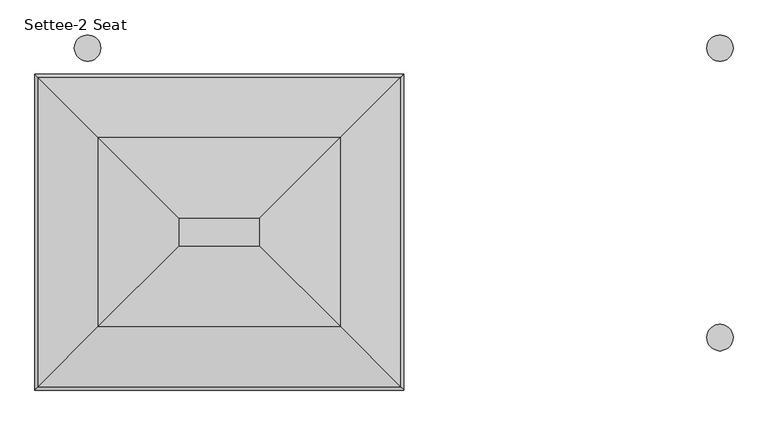
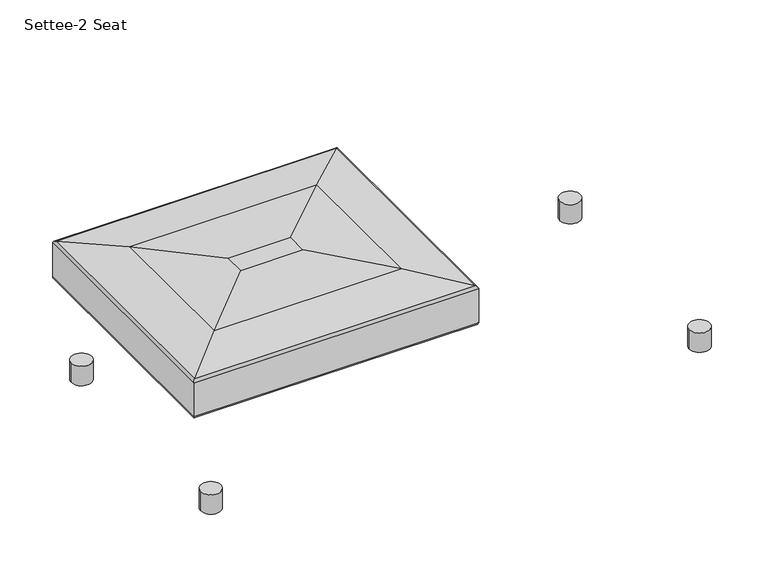
"""IFC4 building model written with IfcOpenShell, lengths in millimetres: furniture geometry, Settee-2 Seat."""

import ifcopenshell
import ifcopenshell.guid

model = None  # the IFC model being written
_history = None  # IfcOwnerHistory: only IFC2X3 demands one
_inside = {}  # id of a spatial element -> (the spatial element, [elements in it])
_under = {}  # id of a project, library or spatial element -> (it, [spatial elements below it])
_declared = {}  # id of a project -> (the project, [libraries it declares])
_typed = {}  # id of a type object -> (the type object, [elements of that type])
_made_of = {}  # id of a material, layer set ... -> (it, [elements and type objects made of it])


def new_model(schema):
    """Start an empty IFC model of exactly this schema.

    Asked for "IFC4X3", IfcOpenShell would pick the latest addendum, in which some entities
    have other attributes; the version numbers below select the first issue.
    IFC2X3 requires an IfcOwnerHistory on every rooted entity: one is made here for all.
    """
    global model, _history
    if schema == "IFC4X3":
        model = ifcopenshell.file(schema_version=(4, 3, 0, 0))
    else:
        model = ifcopenshell.file(schema=schema)
    _inside.clear()
    _under.clear()
    _declared.clear()
    _typed.clear()
    _made_of.clear()
    _history = None
    if model.schema == "IFC2X3":
        org = make("IfcOrganization", Name="unknown")
        user = make(
            "IfcPersonAndOrganization",
            ThePerson=make("IfcPerson", FamilyName="unknown"),
            TheOrganization=org,
        )
        app = make(
            "IfcApplication",
            ApplicationDeveloper=org,
            Version="unknown",
            ApplicationFullName="unknown",
            ApplicationIdentifier="unknown",
        )
        _history = make(
            "IfcOwnerHistory",
            OwningUser=user,
            OwningApplication=app,
            ChangeAction="ADDED",
            CreationDate=0,
        )
    return model


def make(cls, **values):
    """One entity of the class cls with the attributes given. An attribute that is None is left unset."""
    return model.create_entity(
        cls, **{name: value for name, value in values.items() if value is not None}
    )


def rooted(cls, **values):
    """An entity with a GlobalId (a new one), such as an element, a storey or a relation."""
    return make(cls, GlobalId=ifcopenshell.guid.new(), OwnerHistory=_history, **values)


def si_unit(unit_type, name, prefix=None):
    """IfcSIUnit, for example si_unit("LENGTHUNIT", "METRE", prefix="MILLI")."""
    return make("IfcSIUnit", UnitType=unit_type, Prefix=prefix, Name=name)


def assignment(units):
    """IfcUnitAssignment: the units of a project."""
    return None if units is None else make("IfcUnitAssignment", Units=units)


def point(xyz):
    """IfcCartesianPoint."""
    return None if xyz is None else make("IfcCartesianPoint", Coordinates=xyz)


def direction(xyz):
    """IfcDirection."""
    return None if xyz is None else make("IfcDirection", DirectionRatios=xyz)


def frame(location, z_axis=None, x_axis=None):
    """IfcAxis2Placement3D, a coordinate frame: its origin and axes. An axis left out is left unset."""
    return make(
        "IfcAxis2Placement3D",
        Location=point(location),
        Axis=direction(z_axis),
        RefDirection=direction(x_axis),
    )


def origin():
    """The frame at (0, 0, 0) with its axes left unset."""
    return frame((0.0, 0.0, 0.0))


def place(relative_to, where):
    """IfcLocalPlacement: puts the frame where relative to a parent placement (None: the world)."""
    return make(
        "IfcLocalPlacement", PlacementRelTo=relative_to, RelativePlacement=where
    )


def context(
    kind, dimensions, precision=None, world=None, true_north=None, identifier=None
):
    """IfcGeometricRepresentationContext, for example the 3D "Model" context."""
    return make(
        "IfcGeometricRepresentationContext",
        ContextIdentifier=identifier,
        ContextType=kind,
        CoordinateSpaceDimension=dimensions,
        Precision=precision,
        WorldCoordinateSystem=world,
        TrueNorth=true_north,
    )


def project(units=None, contexts=None):
    """IfcProject with its units and contexts."""
    return rooted(
        "IfcProject",
        Name="project",
        RepresentationContexts=contexts,
        UnitsInContext=assignment(units),
    )


def spatial(cls, under=None, at=None, **own):
    """A site, building, storey or space (cls), placed at a placement, below another one or the project."""
    s = rooted(cls, ObjectPlacement=at, **own)
    if under is not None:
        _under.setdefault(under.id(), (under, []))[1].append(s)
    return s


def circle_curve(where, radius):
    """IfcCircle in the frame where."""
    return make("IfcCircle", Position=where, Radius=radius)


def ellipse_curve(where, semi_axis1, semi_axis2):
    """IfcEllipse in the frame where."""
    return make(
        "IfcEllipse", Position=where, SemiAxis1=semi_axis1, SemiAxis2=semi_axis2
    )


def shape(context_of_items, identifier, shape_type, items):
    """IfcShapeRepresentation: the items that make up one representation, for example the "Body"."""
    return make(
        "IfcShapeRepresentation",
        ContextOfItems=context_of_items,
        RepresentationIdentifier=identifier,
        RepresentationType=shape_type,
        Items=items,
    )


def source(mapping_origin, context_of_items, identifier, shape_type, items):
    """IfcRepresentationMap: a shape defined once, which mapped items show again and again."""
    return make(
        "IfcRepresentationMap",
        MappingOrigin=mapping_origin,
        MappedRepresentation=shape(context_of_items, identifier, shape_type, items),
    )


def transform(
    local_origin,
    x_axis=None,
    y_axis=None,
    z_axis=None,
    scale=None,
    scale2=None,
    scale3=None,
    uniform=True,
):
    """IfcCartesianTransformationOperator3D, or its non-uniform kind. x_axis, y_axis, z_axis: its Axis1, 2, 3."""
    if uniform:
        return make(
            "IfcCartesianTransformationOperator3D",
            Axis1=direction(x_axis),
            Axis2=direction(y_axis),
            LocalOrigin=point(local_origin),
            Scale=scale,
            Axis3=direction(z_axis),
        )
    return make(
        "IfcCartesianTransformationOperator3DnonUniform",
        Axis1=direction(x_axis),
        Axis2=direction(y_axis),
        LocalOrigin=point(local_origin),
        Scale=scale,
        Axis3=direction(z_axis),
        Scale2=scale2,
        Scale3=scale3,
    )


def mapped(mapping_source, mapping_target):
    """IfcMappedItem: shows the shape of a source again, moved by a transform."""
    return make(
        "IfcMappedItem", MappingSource=mapping_source, MappingTarget=mapping_target
    )


def made_of(thing, what):
    """Note that an element or type object is made of a material, layer set ...; save() writes the relation."""
    if what is not None:
        _made_of.setdefault(what.id(), (what, []))[1].append(thing)
    return thing


def element(
    cls,
    number,
    at=None,
    inside=None,
    cuts=None,
    type_object=None,
    material=None,
    context=None,
    identifier="Body",
    shape_type=None,
    held_by="IfcProductDefinitionShape",
    body=None,
    shapes=None,
    **own,
):
    """One element of the class cls, such as IfcWall. Its Tag is "e" and its number.

    at: its placement. inside: the storey or other place that contains it. cuts: it is an
    opening in that element (IfcRelVoidsElement). A single representation is given by context,
    identifier, shape_type and body (its items); several are given by shapes. held_by: the class
    of the entity that holds the representations. save() writes the other relations.
    """
    e = rooted(cls, Tag="e%d" % number, ObjectPlacement=at, **own)
    if body is not None:
        shapes = [shape(context, identifier, shape_type, body)]
    if shapes is not None:
        e.Representation = make(held_by, Representations=shapes)
    if inside is not None:
        _inside.setdefault(inside.id(), (inside, []))[1].append(e)
    if cuts is not None:
        rooted(
            "IfcRelVoidsElement", RelatingBuildingElement=cuts, RelatedOpeningElement=e
        )
    if type_object is not None:
        _typed.setdefault(type_object.id(), (type_object, []))[1].append(e)
    return made_of(e, material)


def aggregate(whole, parts):
    """IfcRelAggregates: a whole, such as a stair, and the parts it consists of."""
    return rooted("IfcRelAggregates", RelatingObject=whole, RelatedObjects=parts)


def save(model, path):
    """Write the relations noted so far, then the file.

    IfcRelAggregates (storeys below a building ...), IfcRelContainedInSpatialStructure (elements
    in a storey), IfcRelDefinesByType, IfcRelAssociatesMaterial and IfcRelDeclares: one each for
    every whole, place, type object, material and project.
    """
    for whole, parts in _under.values():
        aggregate(whole, parts)
    for where, things in _inside.values():
        rooted(
            "IfcRelContainedInSpatialStructure",
            RelatedElements=things,
            RelatingStructure=where,
        )
    for kind, things in _typed.values():
        rooted("IfcRelDefinesByType", RelatedObjects=things, RelatingType=kind)
    for what, things in _made_of.values():
        rooted("IfcRelAssociatesMaterial", RelatedObjects=things, RelatingMaterial=what)
    for by, libraries in _declared.values():
        rooted("IfcRelDeclares", RelatingContext=by, RelatedDefinitions=libraries)
    model.write(path)


def plane_surface(at):
    """IfcPlane: the flat surface through the origin of the frame at, square to its z axis."""
    return make("IfcPlane", Position=at)


def cylinder_surface(at, radius):
    """IfcCylindricalSurface: all points at the distance radius from the z axis of the frame at."""
    return make("IfcCylindricalSurface", Position=at, Radius=radius)


def advanced_brep(points, edges, surfaces, faces):
    """IfcAdvancedBrep: a solid bounded by faces that lie on surfaces and meet in shared edges.

    An edge is (start, end): straight between two places in points (the first is 0);
    or (start, end, curve); or (start, end, curve, False) where it runs against its curve.
    A face is (place in surfaces, loops), or (place, loops, False) where it looks against
    its surface's normal. A loop lists edges by number (the first is 1), with a minus sign
    where the edge is run from its end to its start. The first loop is the outer one.
    """
    corners = [point(p) for p in points]
    vertices = [make("IfcVertexPoint", VertexGeometry=c) for c in corners]
    made = []
    for start, end, *more in edges:
        made.append(
            make(
                "IfcEdgeCurve",
                EdgeStart=vertices[start],
                EdgeEnd=vertices[end],
                EdgeGeometry=more[0] if more else make("IfcPolyline", Points=[corners[start], corners[end]]),
                SameSense=more[1] if len(more) > 1 else True,
            )
        )
    hull = []
    for where, loops, *sense in faces:
        bounds = []
        for j, loop in enumerate(loops):
            ring = [make("IfcOrientedEdge", EdgeElement=made[abs(k) - 1], Orientation=k > 0) for k in loop]
            bounds.append(
                make(
                    "IfcFaceOuterBound" if j == 0 else "IfcFaceBound",
                    Bound=make("IfcEdgeLoop", EdgeList=ring),
                    Orientation=True,
                )
            )
        hull.append(make("IfcAdvancedFace", Bounds=bounds, FaceSurface=surfaces[where], SameSense=sense[0] if sense else True))
    return make("IfcAdvancedBrep", Outer=make("IfcClosedShell", CfsFaces=hull))


def settee_2_seat_fded091e(model_context):
    return source(origin(), model_context, "Body", "AdvancedBrep", [
        advanced_brep(
        [(177.8, -101.600003, 57.15), (228.6, -101.600003, 57.15), (177.8, -101.600003, 6.35), (228.6, -101.600003, 6.35), (190.5, -101.600003, 6.35), (215.9, -101.600003, 6.35), (190.5, -101.600003, 0.0), (215.9, -101.600003, 0.0)],
        [
            (0, 1, circle_curve(frame((203.2, -101.600003, 57.15), z_axis=(0.0, 0.0, 1.0), x_axis=(1.0, 0.0, 0.0)), 25.4)),
            (1, 0, circle_curve(frame((203.2, -101.600003, 57.15), z_axis=(0.0, 0.0, 1.0), x_axis=(1.0, 0.0, 0.0)), 25.4)),
            (2, 3, circle_curve(frame((203.2, -101.600003, 6.35), z_axis=(0.0, 0.0, -1.0), x_axis=(1.0, 0.0, 0.0)), 25.4)),
            (3, 2, circle_curve(frame((203.2, -101.600003, 6.35), z_axis=(0.0, 0.0, -1.0), x_axis=(1.0, 0.0, 0.0)), 25.4)),
            (4, 5, circle_curve(frame((203.2, -101.600003, 6.35), z_axis=(0.0, 0.0, 1.0), x_axis=(1.0, 0.0, 0.0)), 12.7)),
            (5, 4, circle_curve(frame((203.2, -101.600003, 6.35), z_axis=(0.0, 0.0, 1.0), x_axis=(1.0, 0.0, 0.0)), 12.7)),
            (0, 2),
            (3, 1),
            (6, 7, circle_curve(frame((203.2, -101.600003, 0.0), z_axis=(0.0, 0.0, -1.0), x_axis=(1.0, 0.0, 0.0)), 12.7)),
            (7, 6, circle_curve(frame((203.2, -101.600003, 0.0), z_axis=(0.0, 0.0, -1.0), x_axis=(1.0, 0.0, 0.0)), 12.7)),
            (7, 5),
            (4, 6),
        ],
        [
            plane_surface(frame((228.6, -101.600003, 57.15), z_axis=(0.0, 0.0, 1.0), x_axis=(0.0, 1.0, 0.0))),
            plane_surface(frame((228.6, -101.600003, 6.35), z_axis=(0.0, 0.0, -1.0), x_axis=(0.0, -1.0, 0.0))),
            cylinder_surface(frame((203.2, -101.600003, 6.35), z_axis=(0.0, 0.0, 1.0), x_axis=(1.0, 0.0, 0.0)), 25.4),
            plane_surface(frame((215.9, -101.600003, 0.0), z_axis=(0.0, 0.0, -1.0), x_axis=(0.0, -1.0, 0.0))),
            cylinder_surface(frame((203.2, -101.600003, 0.0), z_axis=(0.0, 0.0, 1.0), x_axis=(1.0, 0.0, 0.0)), 12.7),
        ],
        [
            (0, [[1, 2]]),
            (1, [[3, 4], [5, 6]]),
            (2, [[-1, 7, -4, 8]]),
            (2, [[-2, -8, -3, -7]]),
            (3, [[9, 10]]),
            (4, [[-10, 11, -5, 12]]),
            (4, [[-9, -12, -6, -11]]),
        ],
    ),
        advanced_brep(
        [(177.8, -660.3999879, 57.15), (228.6, -660.3999879, 57.15), (177.8, -660.3999879, 6.35), (228.6, -660.3999879, 6.35), (190.5, -660.3999879, 6.35), (215.9, -660.3999879, 6.35), (190.5, -660.3999879, 0.0), (215.9, -660.3999879, 0.0)],
        [
            (0, 1, circle_curve(frame((203.2, -660.3999879, 57.15), z_axis=(0.0, 0.0, 1.0), x_axis=(1.0, 0.0, 0.0)), 25.4)),
            (1, 0, circle_curve(frame((203.2, -660.3999879, 57.15), z_axis=(0.0, 0.0, 1.0), x_axis=(1.0, 0.0, 0.0)), 25.4)),
            (2, 3, circle_curve(frame((203.2, -660.3999879, 6.35), z_axis=(0.0, 0.0, -1.0), x_axis=(1.0, 0.0, 0.0)), 25.4)),
            (3, 2, circle_curve(frame((203.2, -660.3999879, 6.35), z_axis=(0.0, 0.0, -1.0), x_axis=(1.0, 0.0, 0.0)), 25.4)),
            (4, 5, circle_curve(frame((203.2, -660.3999879, 6.35), z_axis=(0.0, 0.0, 1.0), x_axis=(1.0, 0.0, 0.0)), 12.7)),
            (5, 4, circle_curve(frame((203.2, -660.3999879, 6.35), z_axis=(0.0, 0.0, 1.0), x_axis=(1.0, 0.0, 0.0)), 12.7)),
            (6, 7, circle_curve(frame((203.2, -660.3999879, 0.0), z_axis=(0.0, 0.0, -1.0), x_axis=(1.0, 0.0, 0.0)), 12.7)),
            (7, 6, circle_curve(frame((203.2, -660.3999879, 0.0), z_axis=(0.0, 0.0, -1.0), x_axis=(1.0, 0.0, 0.0)), 12.7)),
            (7, 5),
            (4, 6),
            (0, 2),
            (3, 1),
        ],
        [
            plane_surface(frame((228.6, -101.600003, 57.15), z_axis=(0.0, 0.0, 1.0), x_axis=(0.0, 1.0, 0.0))),
            plane_surface(frame((228.6, -101.600003, 6.35), z_axis=(0.0, 0.0, -1.0), x_axis=(0.0, -1.0, 0.0))),
            plane_surface(frame((215.9, -101.600003, 0.0), z_axis=(0.0, 0.0, -1.0), x_axis=(0.0, -1.0, 0.0))),
            cylinder_surface(frame((203.2, -660.3999879, 0.0), z_axis=(0.0, 0.0, 1.0), x_axis=(1.0, 0.0, 0.0)), 12.7),
            cylinder_surface(frame((203.2, -660.3999879, 0.0), z_axis=(0.0, 0.0, 1.0), x_axis=(1.0, 0.0, 0.0)), 25.4),
        ],
        [
            (0, [[1, 2]]),
            (1, [[3, 4], [5, 6]]),
            (2, [[7, 8]]),
            (3, [[-8, 9, -5, 10]]),
            (3, [[-7, -10, -6, -9]]),
            (4, [[-1, 11, -4, 12]]),
            (4, [[-2, -12, -3, -11]]),
        ],
    ),
        advanced_brep(
        [(1397.0, -101.600003, 57.15), (1447.8, -101.600003, 57.15), (1397.0, -101.600003, 6.35), (1447.8, -101.600003, 6.35), (1409.7, -101.600003, 6.35), (1435.1, -101.600003, 6.35), (1409.7, -101.600003, 0.0), (1435.1, -101.600003, 0.0)],
        [
            (0, 1, circle_curve(frame((1422.4, -101.600003, 57.15), z_axis=(0.0, 0.0, 1.0), x_axis=(1.0, 0.0, 0.0)), 25.4)),
            (1, 0, circle_curve(frame((1422.4, -101.600003, 57.15), z_axis=(0.0, 0.0, 1.0), x_axis=(1.0, 0.0, 0.0)), 25.4)),
            (2, 3, circle_curve(frame((1422.4, -101.600003, 6.35), z_axis=(0.0, 0.0, -1.0), x_axis=(1.0, 0.0, 0.0)), 25.4)),
            (3, 2, circle_curve(frame((1422.4, -101.600003, 6.35), z_axis=(0.0, 0.0, -1.0), x_axis=(1.0, 0.0, 0.0)), 25.4)),
            (4, 5, circle_curve(frame((1422.4, -101.600003, 6.35), z_axis=(0.0, 0.0, 1.0), x_axis=(1.0, 0.0, 0.0)), 12.7)),
            (5, 4, circle_curve(frame((1422.4, -101.600003, 6.35), z_axis=(0.0, 0.0, 1.0), x_axis=(1.0, 0.0, 0.0)), 12.7)),
            (6, 7, circle_curve(frame((1422.4, -101.600003, 0.0), z_axis=(0.0, 0.0, -1.0), x_axis=(1.0, 0.0, 0.0)), 12.7)),
            (7, 6, circle_curve(frame((1422.4, -101.600003, 0.0), z_axis=(0.0, 0.0, -1.0), x_axis=(1.0, 0.0, 0.0)), 12.7)),
            (7, 5),
            (4, 6),
            (0, 2),
            (3, 1),
        ],
        [
            plane_surface(frame((228.6, -101.600003, 57.15), z_axis=(0.0, 0.0, 1.0), x_axis=(0.0, 1.0, 0.0))),
            plane_surface(frame((228.6, -101.600003, 6.35), z_axis=(0.0, 0.0, -1.0), x_axis=(0.0, -1.0, 0.0))),
            plane_surface(frame((215.9, -101.600003, 0.0), z_axis=(0.0, 0.0, -1.0), x_axis=(0.0, -1.0, 0.0))),
            cylinder_surface(frame((1422.4, -101.600003, 0.0), z_axis=(0.0, 0.0, 1.0), x_axis=(1.0, 0.0, 0.0)), 12.7),
            cylinder_surface(frame((1422.4, -101.600003, 0.0), z_axis=(0.0, 0.0, 1.0), x_axis=(1.0, 0.0, 0.0)), 25.4),
        ],
        [
            (0, [[1, 2]]),
            (1, [[3, 4], [5, 6]]),
            (2, [[7, 8]]),
            (3, [[-8, 9, -5, 10]]),
            (3, [[-7, -10, -6, -9]]),
            (4, [[-1, 11, -4, 12]]),
            (4, [[-2, -12, -3, -11]]),
        ],
    ),
        advanced_brep(
        [(1397.0, -660.3999879, 57.15), (1447.8, -660.3999879, 57.15), (1397.0, -660.3999879, 6.35), (1447.8, -660.3999879, 6.35), (1409.7, -660.3999879, 6.35), (1435.1, -660.3999879, 6.35), (1409.7, -660.3999879, 0.0), (1435.1, -660.3999879, 0.0)],
        [
            (0, 1, circle_curve(frame((1422.4, -660.3999879, 57.15), z_axis=(0.0, 0.0, 1.0), x_axis=(1.0, 0.0, 0.0)), 25.4)),
            (1, 0, circle_curve(frame((1422.4, -660.3999879, 57.15), z_axis=(0.0, 0.0, 1.0), x_axis=(1.0, 0.0, 0.0)), 25.4)),
            (2, 3, circle_curve(frame((1422.4, -660.3999879, 6.35), z_axis=(0.0, 0.0, -1.0), x_axis=(1.0, 0.0, 0.0)), 25.4)),
            (3, 2, circle_curve(frame((1422.4, -660.3999879, 6.35), z_axis=(0.0, 0.0, -1.0), x_axis=(1.0, 0.0, 0.0)), 25.4)),
            (4, 5, circle_curve(frame((1422.4, -660.3999879, 6.35), z_axis=(0.0, 0.0, 1.0), x_axis=(1.0, 0.0, 0.0)), 12.7)),
            (5, 4, circle_curve(frame((1422.4, -660.3999879, 6.35), z_axis=(0.0, 0.0, 1.0), x_axis=(1.0, 0.0, 0.0)), 12.7)),
            (6, 7, circle_curve(frame((1422.4, -660.3999879, 0.0), z_axis=(0.0, 0.0, -1.0), x_axis=(1.0, 0.0, 0.0)), 12.7)),
            (7, 6, circle_curve(frame((1422.4, -660.3999879, 0.0), z_axis=(0.0, 0.0, -1.0), x_axis=(1.0, 0.0, 0.0)), 12.7)),
            (7, 5),
            (4, 6),
            (0, 2),
            (3, 1),
        ],
        [
            plane_surface(frame((228.6, -101.600003, 57.15), z_axis=(0.0, 0.0, 1.0), x_axis=(0.0, 1.0, 0.0))),
            plane_surface(frame((228.6, -101.600003, 6.35), z_axis=(0.0, 0.0, -1.0), x_axis=(0.0, -1.0, 0.0))),
            plane_surface(frame((215.9, -101.600003, 0.0), z_axis=(0.0, 0.0, -1.0), x_axis=(0.0, -1.0, 0.0))),
            cylinder_surface(frame((1422.4, -660.3999879, 0.0), z_axis=(0.0, 0.0, 1.0), x_axis=(1.0, 0.0, 0.0)), 12.7),
            cylinder_surface(frame((1422.4, -660.3999879, 0.0), z_axis=(0.0, 0.0, 1.0), x_axis=(1.0, 0.0, 0.0)), 25.4),
        ],
        [
            (0, [[1, 2]]),
            (1, [[3, 4], [5, 6]]),
            (2, [[7, 8]]),
            (3, [[-8, 9, -5, 10]]),
            (3, [[-7, -10, -6, -9]]),
            (4, [[-1, 11, -4, 12]]),
            (4, [[-2, -12, -3, -11]]),
        ],
    ),
        advanced_brep(
        [(105.2589271, -758.2176259, 336.5161259), (156.5018533, -706.9746997, 323.8599964), (757.8981467, -706.9746997, 323.8599964), (809.1410729, -758.2176259, 336.5161259), (812.8, -761.876553, 342.2677019), (101.6, -761.876553, 342.2677019), (812.8, -761.876553, 431.6520878), (101.6, -761.876553, 431.6520878), (807.2617206, -756.3382736, 437.949993), (107.1382794, -756.3382736, 437.949993), (691.2501341, -640.326687, 452.9024246), (223.1498659, -640.326687, 452.9024246), (535.399776, -484.476329, 462.9046302), (379.000224, -484.476329, 462.9046302), (757.8981467, -207.3018533, 323.8599964), (809.1410729, -156.0589271, 336.5161259), (812.8, -152.4, 342.2677019), (812.8, -152.4, 431.6520878), (807.2617206, -157.9382794, 437.949993), (691.2501341, -273.9498659, 452.9024246), (535.399776, -429.800224, 462.9046302), (156.5018533, -207.3018533, 323.8599964), (105.2589271, -156.0589271, 336.5161259), (101.6, -152.4, 342.2677019), (101.6, -152.4, 431.6520878), (107.1382794, -157.9382794, 437.949993), (223.1498659, -273.9498659, 452.9024246), (379.000224, -429.800224, 462.9046302)],
        [
            (0, 1, ellipse_curve(frame((162.8373178, -700.6392352, 459.5772619), z_axis=(0.7071067811865475, -0.7071067811865475, 0.0), x_axis=(-0.7071067811865476, -0.7071067811865474, 0.0)), 192.1422091, 135.865059)),
            (1, 2),
            (2, 3, ellipse_curve(frame((751.5626822, -700.6392352, 459.5772619), z_axis=(-0.7071067811865475, -0.7071067811865475, 0.0), x_axis=(-0.7071067811865476, 0.7071067811865474, 0.0)), 192.1422091, 135.865059)),
            (3, 0),
            (3, 4, ellipse_curve(frame((806.45, -755.526553, 342.2677019), z_axis=(-0.7071067811865475, -0.7071067811865475, 0.0), x_axis=(-0.7071067811865476, 0.7071067811865474, 0.0)), 8.9802561, 6.35)),
            (4, 5),
            (5, 0, ellipse_curve(frame((107.95, -755.526553, 342.2677019), z_axis=(0.7071067811865475, -0.7071067811865475, 0.0), x_axis=(-0.7071067811865476, -0.7071067811865474, 0.0)), 8.9802561, 6.35)),
            (4, 6),
            (6, 7),
            (7, 5),
            (6, 8, ellipse_curve(frame((806.45, -755.526553, 431.6520878), z_axis=(-0.7071067811865475, -0.7071067811865475, 0.0), x_axis=(-0.7071067811865476, 0.7071067811865474, 0.0)), 8.9802561, 6.35)),
            (8, 9),
            (9, 7, ellipse_curve(frame((107.95, -755.526553, 431.6520878), z_axis=(0.7071067811865475, -0.7071067811865475, 0.0), x_axis=(-0.7071067811865476, -0.7071067811865474, 0.0)), 8.9802561, 6.35)),
            (8, 10),
            (10, 11),
            (11, 9),
            (10, 12, ellipse_curve(frame((535.399776, -484.476329, -756.2953698), z_axis=(-0.7071067811865475, -0.7071067811865475, 0.0), x_axis=(-0.7071067811865476, 0.7071067811865474, 0.0)), 1724.2091752, 1219.2)),
            (12, 13),
            (13, 11, ellipse_curve(frame((379.000224, -484.476329, -756.2953698), z_axis=(0.7071067811865475, -0.7071067811865475, 0.0), x_axis=(-0.7071067811865476, -0.7071067811865474, 0.0)), 1724.2091752, 1219.2)),
            (2, 14),
            (14, 15, ellipse_curve(frame((751.5626822, -213.6373178, 459.5772619), z_axis=(0.7071067811865475, -0.7071067811865475, 0.0), x_axis=(-0.7071067811865474, -0.7071067811865476, 0.0)), 192.1422091, 135.865059)),
            (15, 3),
            (15, 16, ellipse_curve(frame((806.45, -158.75, 342.2677019), z_axis=(0.7071067811865475, -0.7071067811865475, 0.0), x_axis=(-0.7071067811865474, -0.7071067811865476, 0.0)), 8.9802561, 6.35)),
            (16, 4),
            (16, 17),
            (17, 6),
            (17, 18, ellipse_curve(frame((806.45, -158.75, 431.6520878), z_axis=(0.7071067811865475, -0.7071067811865475, 0.0), x_axis=(-0.7071067811865474, -0.7071067811865476, 0.0)), 8.9802561, 6.35)),
            (18, 8),
            (18, 19),
            (19, 10),
            (19, 20, ellipse_curve(frame((535.399776, -429.800224, -756.2953698), z_axis=(0.7071067811865475, -0.7071067811865475, 0.0), x_axis=(-0.7071067811865474, -0.7071067811865476, 0.0)), 1724.2091752, 1219.2)),
            (20, 12),
            (14, 21),
            (21, 22, ellipse_curve(frame((162.8373178, -213.6373178, 459.5772619), z_axis=(0.7071067811865475, 0.7071067811865475, 0.0), x_axis=(0.7071067811865476, -0.7071067811865474, 0.0)), 192.1422091, 135.865059)),
            (22, 15),
            (22, 23, ellipse_curve(frame((107.95, -158.75, 342.2677019), z_axis=(0.7071067811865475, 0.7071067811865475, 0.0), x_axis=(0.7071067811865476, -0.7071067811865474, 0.0)), 8.9802561, 6.35)),
            (23, 16),
            (23, 24),
            (24, 17),
            (24, 25, ellipse_curve(frame((107.95, -158.75, 431.6520878), z_axis=(0.7071067811865475, 0.7071067811865475, 0.0), x_axis=(0.7071067811865476, -0.7071067811865474, 0.0)), 8.9802561, 6.35)),
            (25, 18),
            (25, 26),
            (26, 19),
            (26, 27, ellipse_curve(frame((379.000224, -429.800224, -756.2953698), z_axis=(0.7071067811865475, 0.7071067811865475, 0.0), x_axis=(0.7071067811865476, -0.7071067811865474, 0.0)), 1724.2091752, 1219.2)),
            (27, 20),
            (0, 22),
            (21, 1),
            (5, 23),
            (7, 24),
            (9, 25),
            (11, 26),
            (13, 27),
        ],
        [
            cylinder_surface(frame((101.6, -700.6392352, 459.5772619), z_axis=(-1.0, 0.0, 0.0), x_axis=(0.0, 1.0, 0.0)), 135.865059),
            cylinder_surface(frame((101.6, -755.526553, 342.2677019), z_axis=(-1.0, 0.0, 0.0), x_axis=(0.0, 1.0, 0.0)), 6.35),
            plane_surface(frame((101.6, -761.876553, 342.2677019), z_axis=(0.0, -1.0, 0.0), x_axis=(1.0, 0.0, 0.0))),
            cylinder_surface(frame((101.6, -755.526553, 431.6520878), z_axis=(-1.0, 0.0, 0.0), x_axis=(0.0, 1.0, 0.0)), 6.35),
            plane_surface(frame((107.1382794, -756.3382736, 437.949993), z_axis=(0.0, -0.1278300180799031, 0.9917960911788732), x_axis=(1.0, 0.0, 0.0))),
            cylinder_surface(frame((101.6, -484.476329, -756.2953698), z_axis=(-1.0, 0.0, 0.0), x_axis=(0.0, 1.0, 0.0)), 1219.2),
            cylinder_surface(frame((751.5626822, -761.876553, 459.5772619), z_axis=(0.0, -1.0, 0.0), x_axis=(-1.0, 0.0, 0.0)), 135.865059),
            cylinder_surface(frame((806.45, -761.876553, 342.2677019), z_axis=(0.0, -1.0, 0.0), x_axis=(-1.0, 0.0, 0.0)), 6.35),
            plane_surface(frame((812.8, -761.876553, 342.2677019), z_axis=(1.0, 0.0, 0.0), x_axis=(0.0, 1.0, 0.0))),
            cylinder_surface(frame((806.45, -761.876553, 431.6520878), z_axis=(0.0, -1.0, 0.0), x_axis=(-1.0, 0.0, 0.0)), 6.35),
            plane_surface(frame((807.2617206, -756.3382736, 437.949993), z_axis=(0.1278300180799031, 0.0, 0.9917960911788732), x_axis=(0.0, 1.0, 0.0))),
            cylinder_surface(frame((535.399776, -761.876553, -756.2953698), z_axis=(0.0, -1.0, 0.0), x_axis=(-1.0, 0.0, 0.0)), 1219.2),
            cylinder_surface(frame((812.8, -213.6373178, 459.5772619), z_axis=(1.0, 0.0, 0.0), x_axis=(0.0, -1.0, 0.0)), 135.865059),
            cylinder_surface(frame((812.8, -158.75, 342.2677019), z_axis=(1.0, 0.0, 0.0), x_axis=(0.0, -1.0, 0.0)), 6.35),
            plane_surface(frame((812.8, -152.4, 342.2677019), z_axis=(0.0, 1.0, 0.0), x_axis=(-1.0, 0.0, 0.0))),
            cylinder_surface(frame((812.8, -158.75, 431.6520878), z_axis=(1.0, 0.0, 0.0), x_axis=(0.0, -1.0, 0.0)), 6.35),
            plane_surface(frame((807.2617206, -157.9382794, 437.949993), z_axis=(0.0, 0.1278300180799031, 0.9917960911788732), x_axis=(-1.0, 0.0, 0.0))),
            cylinder_surface(frame((812.8, -429.800224, -756.2953698), z_axis=(1.0, 0.0, 0.0), x_axis=(0.0, -1.0, 0.0)), 1219.2),
            cylinder_surface(frame((162.8373178, -152.4, 459.5772619), z_axis=(0.0, 1.0, 0.0), x_axis=(1.0, 0.0, 0.0)), 135.865059),
            cylinder_surface(frame((107.95, -152.4, 342.2677019), z_axis=(0.0, 1.0, 0.0), x_axis=(1.0, 0.0, 0.0)), 6.35),
            plane_surface(frame((101.6, -152.4, 342.2677019), z_axis=(-1.0, 0.0, 0.0), x_axis=(0.0, -1.0, 0.0))),
            cylinder_surface(frame((107.95, -152.4, 431.6520878), z_axis=(0.0, 1.0, 0.0), x_axis=(1.0, 0.0, 0.0)), 6.35),
            plane_surface(frame((107.1382794, -157.9382794, 437.949993), z_axis=(-0.1278300180799031, 0.0, 0.9917960911788732), x_axis=(0.0, -1.0, 0.0))),
            cylinder_surface(frame((379.000224, -152.4, -756.2953698), z_axis=(0.0, 1.0, 0.0), x_axis=(1.0, 0.0, 0.0)), 1219.2),
            plane_surface(frame((379.000224, -429.800224, 462.9046302), z_axis=(0.0, 0.0, 1.0), x_axis=(0.0, -1.0, 0.0))),
            plane_surface(frame((381.0, -431.8, 323.8599964), z_axis=(0.0, 0.0, -1.0), x_axis=(0.0, -1.0, 0.0))),
        ],
        [
            (0, [[1, 2, 3, 4]]),
            (1, [[-4, 5, 6, 7]]),
            (2, [[-6, 8, 9, 10]]),
            (3, [[-9, 11, 12, 13]]),
            (4, [[-12, 14, 15, 16]]),
            (5, [[-15, 17, 18, 19]]),
            (6, [[-3, 20, 21, 22]]),
            (7, [[-5, -22, 23, 24]]),
            (8, [[-8, -24, 25, 26]]),
            (9, [[-11, -26, 27, 28]]),
            (10, [[-14, -28, 29, 30]]),
            (11, [[-17, -30, 31, 32]]),
            (12, [[-21, 33, 34, 35]]),
            (13, [[-23, -35, 36, 37]]),
            (14, [[-25, -37, 38, 39]]),
            (15, [[-27, -39, 40, 41]]),
            (16, [[-29, -41, 42, 43]]),
            (17, [[-31, -43, 44, 45]]),
            (18, [[-1, 46, -34, 47]]),
            (19, [[-7, 48, -36, -46]]),
            (20, [[-10, 49, -38, -48]]),
            (21, [[-13, 50, -40, -49]]),
            (22, [[-16, 51, -42, -50]]),
            (23, [[-19, 52, -44, -51]]),
            (24, [[-18, -32, -45, -52]]),
            (25, [[-2, -47, -33, -20]]),
        ],
    ),
    ])


if __name__ == "__main__":
    model = new_model("IFC4")
    model_context = context("Model", 3, world=origin())
    ifc_project = project(units=[si_unit("LENGTHUNIT", "METRE", prefix="MILLI")], contexts=[model_context])
    site = spatial("IfcSite", under=ifc_project)
    building = spatial("IfcBuilding", under=site)
    placement = place(None, origin())
    settee_2_seat_shape = settee_2_seat_fded091e(model_context)
    element("IfcFurniture", 1, ObjectType="Settee-2 Seat", at=placement, inside=building, context=model_context, shape_type="MappedRepresentation", body=[
        mapped(settee_2_seat_shape, transform((0.0, 0.0, 0.0), x_axis=(1.0, 0.0, 0.0), y_axis=(0.0, 1.0, 0.0), z_axis=(0.0, 0.0, 1.0))),
    ])
    save(model, "model.ifc")
